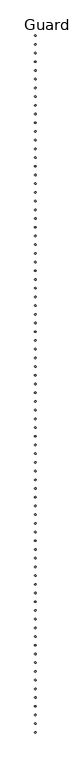
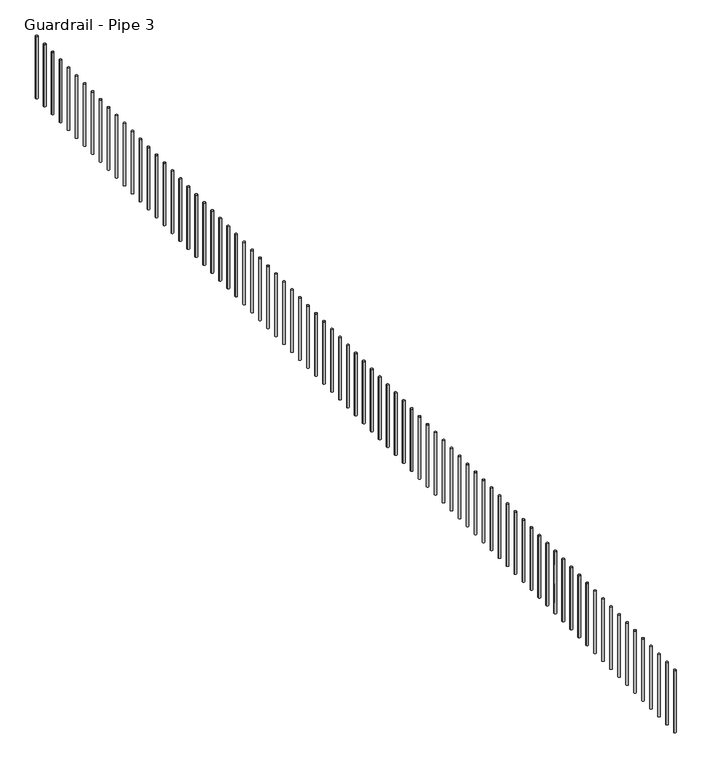
"""IFC4 building model written with IfcOpenShell, lengths in millimetres: railing geometry, Guardrail - Pipe 3."""

from ifc_helpers import new_model, si_unit, point, frame, frame_2d, origin, place, context, project, spatial, circle_curve, trimmed, segment, composite_curve, outline, extrude, source, transform, mapped, element, save


def guardrail_pipe_3_6731b102(model_context):
    return source(origin(), model_context, "Body", "SweptSolid", [
        extrude(outline(composite_curve([segment(trimmed(circle_curve(frame_2d((267300.2280266, -544690.2424218)), 12.7), [point((267312.9280266, -544690.2424218))], [point((267287.5280266, -544690.2424218))], False, "CARTESIAN"), True, "CONTINUOUS"), segment(trimmed(circle_curve(frame_2d((267300.2280266, -544690.2424218)), 12.7), [point((267287.5280266, -544690.2424218))], [point((267312.9280266, -544690.2424218))], False, "CARTESIAN"), True, "CONTINUOUS")], self_intersect=False)), frame((0.0, 0.0, 4267.2), z_axis=(0.0, 0.0, 1.0), x_axis=(1.0, 0.0, 0.0)), (0.0, 0.0, 1.0), 723.9),
        extrude(outline(composite_curve([segment(trimmed(circle_curve(frame_2d((267300.2280266, -544537.8424218)), 12.7), [point((267312.9280266, -544537.8424218))], [point((267287.5280266, -544537.8424218))], False, "CARTESIAN"), True, "CONTINUOUS"), segment(trimmed(circle_curve(frame_2d((267300.2280266, -544537.8424218)), 12.7), [point((267287.5280266, -544537.8424218))], [point((267312.9280266, -544537.8424218))], False, "CARTESIAN"), True, "CONTINUOUS")], self_intersect=False)), frame((0.0, 0.0, 4267.2), z_axis=(0.0, 0.0, 1.0), x_axis=(1.0, 0.0, 0.0)), (0.0, 0.0, 1.0), 723.9),
        extrude(outline(composite_curve([segment(trimmed(circle_curve(frame_2d((267300.2280266, -544385.4424218)), 12.7), [point((267312.9280266, -544385.4424218))], [point((267287.5280266, -544385.4424218))], False, "CARTESIAN"), True, "CONTINUOUS"), segment(trimmed(circle_curve(frame_2d((267300.2280266, -544385.4424218)), 12.7), [point((267287.5280266, -544385.4424218))], [point((267312.9280266, -544385.4424218))], False, "CARTESIAN"), True, "CONTINUOUS")], self_intersect=False)), frame((0.0, 0.0, 4267.2), z_axis=(0.0, 0.0, 1.0), x_axis=(1.0, 0.0, 0.0)), (0.0, 0.0, 1.0), 723.9),
        extrude(outline(composite_curve([segment(trimmed(circle_curve(frame_2d((267300.2280266, -544233.0424218)), 12.7), [point((267312.9280266, -544233.0424218))], [point((267287.5280266, -544233.0424218))], False, "CARTESIAN"), True, "CONTINUOUS"), segment(trimmed(circle_curve(frame_2d((267300.2280266, -544233.0424218)), 12.7), [point((267287.5280266, -544233.0424218))], [point((267312.9280266, -544233.0424218))], False, "CARTESIAN"), True, "CONTINUOUS")], self_intersect=False)), frame((0.0, 0.0, 4267.2), z_axis=(0.0, 0.0, 1.0), x_axis=(1.0, 0.0, 0.0)), (0.0, 0.0, 1.0), 723.9),
        extrude(outline(composite_curve([segment(trimmed(circle_curve(frame_2d((267300.2280266, -544080.6424218)), 12.7), [point((267312.9280266, -544080.6424218))], [point((267287.5280266, -544080.6424218))], False, "CARTESIAN"), True, "CONTINUOUS"), segment(trimmed(circle_curve(frame_2d((267300.2280266, -544080.6424218)), 12.7), [point((267287.5280266, -544080.6424218))], [point((267312.9280266, -544080.6424218))], False, "CARTESIAN"), True, "CONTINUOUS")], self_intersect=False)), frame((0.0, 0.0, 4267.2), z_axis=(0.0, 0.0, 1.0), x_axis=(1.0, 0.0, 0.0)), (0.0, 0.0, 1.0), 723.9),
        extrude(outline(composite_curve([segment(trimmed(circle_curve(frame_2d((267300.2280266, -543928.2424218)), 12.7), [point((267312.9280266, -543928.2424218))], [point((267287.5280266, -543928.2424218))], False, "CARTESIAN"), True, "CONTINUOUS"), segment(trimmed(circle_curve(frame_2d((267300.2280266, -543928.2424218)), 12.7), [point((267287.5280266, -543928.2424218))], [point((267312.9280266, -543928.2424218))], False, "CARTESIAN"), True, "CONTINUOUS")], self_intersect=False)), frame((0.0, 0.0, 4267.2), z_axis=(0.0, 0.0, 1.0), x_axis=(1.0, 0.0, 0.0)), (0.0, 0.0, 1.0), 723.9),
        extrude(outline(composite_curve([segment(trimmed(circle_curve(frame_2d((267300.2280266, -543775.8424218)), 12.7), [point((267312.9280266, -543775.8424218))], [point((267287.5280266, -543775.8424218))], False, "CARTESIAN"), True, "CONTINUOUS"), segment(trimmed(circle_curve(frame_2d((267300.2280266, -543775.8424218)), 12.7), [point((267287.5280266, -543775.8424218))], [point((267312.9280266, -543775.8424218))], False, "CARTESIAN"), True, "CONTINUOUS")], self_intersect=False)), frame((0.0, 0.0, 4267.2), z_axis=(0.0, 0.0, 1.0), x_axis=(1.0, 0.0, 0.0)), (0.0, 0.0, 1.0), 723.9),
        extrude(outline(composite_curve([segment(trimmed(circle_curve(frame_2d((267300.2280266, -543623.4424218)), 12.7), [point((267312.9280266, -543623.4424218))], [point((267287.5280266, -543623.4424218))], False, "CARTESIAN"), True, "CONTINUOUS"), segment(trimmed(circle_curve(frame_2d((267300.2280266, -543623.4424218)), 12.7), [point((267287.5280266, -543623.4424218))], [point((267312.9280266, -543623.4424218))], False, "CARTESIAN"), True, "CONTINUOUS")], self_intersect=False)), frame((0.0, 0.0, 4267.2), z_axis=(0.0, 0.0, 1.0), x_axis=(1.0, 0.0, 0.0)), (0.0, 0.0, 1.0), 723.9),
        extrude(outline(composite_curve([segment(trimmed(circle_curve(frame_2d((267300.2280266, -543471.0424218)), 12.7), [point((267312.9280266, -543471.0424218))], [point((267287.5280266, -543471.0424218))], False, "CARTESIAN"), True, "CONTINUOUS"), segment(trimmed(circle_curve(frame_2d((267300.2280266, -543471.0424218)), 12.7), [point((267287.5280266, -543471.0424218))], [point((267312.9280266, -543471.0424218))], False, "CARTESIAN"), True, "CONTINUOUS")], self_intersect=False)), frame((0.0, 0.0, 4267.2), z_axis=(0.0, 0.0, 1.0), x_axis=(1.0, 0.0, 0.0)), (0.0, 0.0, 1.0), 723.9),
        extrude(outline(composite_curve([segment(trimmed(circle_curve(frame_2d((267300.2280266, -543318.6424218)), 12.7), [point((267312.9280266, -543318.6424218))], [point((267287.5280266, -543318.6424218))], False, "CARTESIAN"), True, "CONTINUOUS"), segment(trimmed(circle_curve(frame_2d((267300.2280266, -543318.6424218)), 12.7), [point((267287.5280266, -543318.6424218))], [point((267312.9280266, -543318.6424218))], False, "CARTESIAN"), True, "CONTINUOUS")], self_intersect=False)), frame((0.0, 0.0, 4267.2), z_axis=(0.0, 0.0, 1.0), x_axis=(1.0, 0.0, 0.0)), (0.0, 0.0, 1.0), 723.9),
        extrude(outline(composite_curve([segment(trimmed(circle_curve(frame_2d((267300.2280266, -543166.2424218)), 12.7), [point((267312.9280266, -543166.2424218))], [point((267287.5280266, -543166.2424218))], False, "CARTESIAN"), True, "CONTINUOUS"), segment(trimmed(circle_curve(frame_2d((267300.2280266, -543166.2424218)), 12.7), [point((267287.5280266, -543166.2424218))], [point((267312.9280266, -543166.2424218))], False, "CARTESIAN"), True, "CONTINUOUS")], self_intersect=False)), frame((0.0, 0.0, 4267.2), z_axis=(0.0, 0.0, 1.0), x_axis=(1.0, 0.0, 0.0)), (0.0, 0.0, 1.0), 723.9),
        extrude(outline(composite_curve([segment(trimmed(circle_curve(frame_2d((267300.2280266, -543013.8424218)), 12.7), [point((267312.9280266, -543013.8424218))], [point((267287.5280266, -543013.8424218))], False, "CARTESIAN"), True, "CONTINUOUS"), segment(trimmed(circle_curve(frame_2d((267300.2280266, -543013.8424218)), 12.7), [point((267287.5280266, -543013.8424218))], [point((267312.9280266, -543013.8424218))], False, "CARTESIAN"), True, "CONTINUOUS")], self_intersect=False)), frame((0.0, 0.0, 4267.2), z_axis=(0.0, 0.0, 1.0), x_axis=(1.0, 0.0, 0.0)), (0.0, 0.0, 1.0), 723.9),
        extrude(outline(composite_curve([segment(trimmed(circle_curve(frame_2d((267300.2280266, -542861.4424218)), 12.7), [point((267312.9280266, -542861.4424218))], [point((267287.5280266, -542861.4424218))], False, "CARTESIAN"), True, "CONTINUOUS"), segment(trimmed(circle_curve(frame_2d((267300.2280266, -542861.4424218)), 12.7), [point((267287.5280266, -542861.4424218))], [point((267312.9280266, -542861.4424218))], False, "CARTESIAN"), True, "CONTINUOUS")], self_intersect=False)), frame((0.0, 0.0, 4267.2), z_axis=(0.0, 0.0, 1.0), x_axis=(1.0, 0.0, 0.0)), (0.0, 0.0, 1.0), 723.9),
        extrude(outline(composite_curve([segment(trimmed(circle_curve(frame_2d((267300.2280266, -542709.0424218)), 12.7), [point((267312.9280266, -542709.0424218))], [point((267287.5280266, -542709.0424218))], False, "CARTESIAN"), True, "CONTINUOUS"), segment(trimmed(circle_curve(frame_2d((267300.2280266, -542709.0424218)), 12.7), [point((267287.5280266, -542709.0424218))], [point((267312.9280266, -542709.0424218))], False, "CARTESIAN"), True, "CONTINUOUS")], self_intersect=False)), frame((0.0, 0.0, 4267.2), z_axis=(0.0, 0.0, 1.0), x_axis=(1.0, 0.0, 0.0)), (0.0, 0.0, 1.0), 723.9),
        extrude(outline(composite_curve([segment(trimmed(circle_curve(frame_2d((267300.2280266, -542556.6424218)), 12.7), [point((267312.9280266, -542556.6424218))], [point((267287.5280266, -542556.6424218))], False, "CARTESIAN"), True, "CONTINUOUS"), segment(trimmed(circle_curve(frame_2d((267300.2280266, -542556.6424218)), 12.7), [point((267287.5280266, -542556.6424218))], [point((267312.9280266, -542556.6424218))], False, "CARTESIAN"), True, "CONTINUOUS")], self_intersect=False)), frame((0.0, 0.0, 4267.2), z_axis=(0.0, 0.0, 1.0), x_axis=(1.0, 0.0, 0.0)), (0.0, 0.0, 1.0), 723.9),
        extrude(outline(composite_curve([segment(trimmed(circle_curve(frame_2d((267300.2280266, -542404.2424218)), 12.7), [point((267312.9280266, -542404.2424218))], [point((267287.5280266, -542404.2424218))], False, "CARTESIAN"), True, "CONTINUOUS"), segment(trimmed(circle_curve(frame_2d((267300.2280266, -542404.2424218)), 12.7), [point((267287.5280266, -542404.2424218))], [point((267312.9280266, -542404.2424218))], False, "CARTESIAN"), True, "CONTINUOUS")], self_intersect=False)), frame((0.0, 0.0, 4267.2), z_axis=(0.0, 0.0, 1.0), x_axis=(1.0, 0.0, 0.0)), (0.0, 0.0, 1.0), 723.9),
        extrude(outline(composite_curve([segment(trimmed(circle_curve(frame_2d((267300.2280266, -542251.8424218)), 12.7), [point((267312.9280266, -542251.8424218))], [point((267287.5280266, -542251.8424218))], False, "CARTESIAN"), True, "CONTINUOUS"), segment(trimmed(circle_curve(frame_2d((267300.2280266, -542251.8424218)), 12.7), [point((267287.5280266, -542251.8424218))], [point((267312.9280266, -542251.8424218))], False, "CARTESIAN"), True, "CONTINUOUS")], self_intersect=False)), frame((0.0, 0.0, 4267.2), z_axis=(0.0, 0.0, 1.0), x_axis=(1.0, 0.0, 0.0)), (0.0, 0.0, 1.0), 723.9),
        extrude(outline(composite_curve([segment(trimmed(circle_curve(frame_2d((267300.2280266, -542099.4424218)), 12.7), [point((267312.9280266, -542099.4424218))], [point((267287.5280266, -542099.4424218))], False, "CARTESIAN"), True, "CONTINUOUS"), segment(trimmed(circle_curve(frame_2d((267300.2280266, -542099.4424218)), 12.7), [point((267287.5280266, -542099.4424218))], [point((267312.9280266, -542099.4424218))], False, "CARTESIAN"), True, "CONTINUOUS")], self_intersect=False)), frame((0.0, 0.0, 4267.2), z_axis=(0.0, 0.0, 1.0), x_axis=(1.0, 0.0, 0.0)), (0.0, 0.0, 1.0), 723.9),
        extrude(outline(composite_curve([segment(trimmed(circle_curve(frame_2d((267300.2280266, -541947.0424218)), 12.7), [point((267312.9280266, -541947.0424218))], [point((267287.5280266, -541947.0424218))], False, "CARTESIAN"), True, "CONTINUOUS"), segment(trimmed(circle_curve(frame_2d((267300.2280266, -541947.0424218)), 12.7), [point((267287.5280266, -541947.0424218))], [point((267312.9280266, -541947.0424218))], False, "CARTESIAN"), True, "CONTINUOUS")], self_intersect=False)), frame((0.0, 0.0, 4267.2), z_axis=(0.0, 0.0, 1.0), x_axis=(1.0, 0.0, 0.0)), (0.0, 0.0, 1.0), 723.9),
        extrude(outline(composite_curve([segment(trimmed(circle_curve(frame_2d((267300.2280266, -541794.6424218)), 12.7), [point((267312.9280266, -541794.6424218))], [point((267287.5280266, -541794.6424218))], False, "CARTESIAN"), True, "CONTINUOUS"), segment(trimmed(circle_curve(frame_2d((267300.2280266, -541794.6424218)), 12.7), [point((267287.5280266, -541794.6424218))], [point((267312.9280266, -541794.6424218))], False, "CARTESIAN"), True, "CONTINUOUS")], self_intersect=False)), frame((0.0, 0.0, 4267.2), z_axis=(0.0, 0.0, 1.0), x_axis=(1.0, 0.0, 0.0)), (0.0, 0.0, 1.0), 723.9),
        extrude(outline(composite_curve([segment(trimmed(circle_curve(frame_2d((267300.2280266, -541642.2424218)), 12.7), [point((267312.9280266, -541642.2424218))], [point((267287.5280266, -541642.2424218))], False, "CARTESIAN"), True, "CONTINUOUS"), segment(trimmed(circle_curve(frame_2d((267300.2280266, -541642.2424218)), 12.7), [point((267287.5280266, -541642.2424218))], [point((267312.9280266, -541642.2424218))], False, "CARTESIAN"), True, "CONTINUOUS")], self_intersect=False)), frame((0.0, 0.0, 4267.2), z_axis=(0.0, 0.0, 1.0), x_axis=(1.0, 0.0, 0.0)), (0.0, 0.0, 1.0), 723.9),
        extrude(outline(composite_curve([segment(trimmed(circle_curve(frame_2d((267300.2280266, -541489.8424218)), 12.7), [point((267312.9280266, -541489.8424218))], [point((267287.5280266, -541489.8424218))], False, "CARTESIAN"), True, "CONTINUOUS"), segment(trimmed(circle_curve(frame_2d((267300.2280266, -541489.8424218)), 12.7), [point((267287.5280266, -541489.8424218))], [point((267312.9280266, -541489.8424218))], False, "CARTESIAN"), True, "CONTINUOUS")], self_intersect=False)), frame((0.0, 0.0, 4267.2), z_axis=(0.0, 0.0, 1.0), x_axis=(1.0, 0.0, 0.0)), (0.0, 0.0, 1.0), 723.9),
        extrude(outline(composite_curve([segment(trimmed(circle_curve(frame_2d((267300.2280266, -541337.4424218)), 12.7), [point((267312.9280266, -541337.4424218))], [point((267287.5280266, -541337.4424218))], False, "CARTESIAN"), True, "CONTINUOUS"), segment(trimmed(circle_curve(frame_2d((267300.2280266, -541337.4424218)), 12.7), [point((267287.5280266, -541337.4424218))], [point((267312.9280266, -541337.4424218))], False, "CARTESIAN"), True, "CONTINUOUS")], self_intersect=False)), frame((0.0, 0.0, 4267.2), z_axis=(0.0, 0.0, 1.0), x_axis=(1.0, 0.0, 0.0)), (0.0, 0.0, 1.0), 723.9),
        extrude(outline(composite_curve([segment(trimmed(circle_curve(frame_2d((267300.2280266, -541185.0424218)), 12.7), [point((267312.9280266, -541185.0424218))], [point((267287.5280266, -541185.0424218))], False, "CARTESIAN"), True, "CONTINUOUS"), segment(trimmed(circle_curve(frame_2d((267300.2280266, -541185.0424218)), 12.7), [point((267287.5280266, -541185.0424218))], [point((267312.9280266, -541185.0424218))], False, "CARTESIAN"), True, "CONTINUOUS")], self_intersect=False)), frame((0.0, 0.0, 4267.2), z_axis=(0.0, 0.0, 1.0), x_axis=(1.0, 0.0, 0.0)), (0.0, 0.0, 1.0), 723.9),
        extrude(outline(composite_curve([segment(trimmed(circle_curve(frame_2d((267300.2280266, -541032.6424218)), 12.7), [point((267312.9280266, -541032.6424218))], [point((267287.5280266, -541032.6424218))], False, "CARTESIAN"), True, "CONTINUOUS"), segment(trimmed(circle_curve(frame_2d((267300.2280266, -541032.6424218)), 12.7), [point((267287.5280266, -541032.6424218))], [point((267312.9280266, -541032.6424218))], False, "CARTESIAN"), True, "CONTINUOUS")], self_intersect=False)), frame((0.0, 0.0, 4267.2), z_axis=(0.0, 0.0, 1.0), x_axis=(1.0, 0.0, 0.0)), (0.0, 0.0, 1.0), 723.9),
        extrude(outline(composite_curve([segment(trimmed(circle_curve(frame_2d((267300.2280266, -540880.2424218)), 12.7), [point((267312.9280266, -540880.2424218))], [point((267287.5280266, -540880.2424218))], False, "CARTESIAN"), True, "CONTINUOUS"), segment(trimmed(circle_curve(frame_2d((267300.2280266, -540880.2424218)), 12.7), [point((267287.5280266, -540880.2424218))], [point((267312.9280266, -540880.2424218))], False, "CARTESIAN"), True, "CONTINUOUS")], self_intersect=False)), frame((0.0, 0.0, 4267.2), z_axis=(0.0, 0.0, 1.0), x_axis=(1.0, 0.0, 0.0)), (0.0, 0.0, 1.0), 723.9),
        extrude(outline(composite_curve([segment(trimmed(circle_curve(frame_2d((267300.2280266, -540727.8424218)), 12.7), [point((267312.9280266, -540727.8424218))], [point((267287.5280266, -540727.8424218))], False, "CARTESIAN"), True, "CONTINUOUS"), segment(trimmed(circle_curve(frame_2d((267300.2280266, -540727.8424218)), 12.7), [point((267287.5280266, -540727.8424218))], [point((267312.9280266, -540727.8424218))], False, "CARTESIAN"), True, "CONTINUOUS")], self_intersect=False)), frame((0.0, 0.0, 4267.2), z_axis=(0.0, 0.0, 1.0), x_axis=(1.0, 0.0, 0.0)), (0.0, 0.0, 1.0), 723.9),
        extrude(outline(composite_curve([segment(trimmed(circle_curve(frame_2d((267300.2280266, -540575.4424218)), 12.7), [point((267312.9280266, -540575.4424218))], [point((267287.5280266, -540575.4424218))], False, "CARTESIAN"), True, "CONTINUOUS"), segment(trimmed(circle_curve(frame_2d((267300.2280266, -540575.4424218)), 12.7), [point((267287.5280266, -540575.4424218))], [point((267312.9280266, -540575.4424218))], False, "CARTESIAN"), True, "CONTINUOUS")], self_intersect=False)), frame((0.0, 0.0, 4267.2), z_axis=(0.0, 0.0, 1.0), x_axis=(1.0, 0.0, 0.0)), (0.0, 0.0, 1.0), 723.9),
        extrude(outline(composite_curve([segment(trimmed(circle_curve(frame_2d((267300.2280266, -540423.0424218)), 12.7), [point((267312.9280266, -540423.0424218))], [point((267287.5280266, -540423.0424218))], False, "CARTESIAN"), True, "CONTINUOUS"), segment(trimmed(circle_curve(frame_2d((267300.2280266, -540423.0424218)), 12.7), [point((267287.5280266, -540423.0424218))], [point((267312.9280266, -540423.0424218))], False, "CARTESIAN"), True, "CONTINUOUS")], self_intersect=False)), frame((0.0, 0.0, 4267.2), z_axis=(0.0, 0.0, 1.0), x_axis=(1.0, 0.0, 0.0)), (0.0, 0.0, 1.0), 723.9),
        extrude(outline(composite_curve([segment(trimmed(circle_curve(frame_2d((267300.2280266, -540270.6424218)), 12.7), [point((267312.9280266, -540270.6424218))], [point((267287.5280266, -540270.6424218))], False, "CARTESIAN"), True, "CONTINUOUS"), segment(trimmed(circle_curve(frame_2d((267300.2280266, -540270.6424218)), 12.7), [point((267287.5280266, -540270.6424218))], [point((267312.9280266, -540270.6424218))], False, "CARTESIAN"), True, "CONTINUOUS")], self_intersect=False)), frame((0.0, 0.0, 4267.2), z_axis=(0.0, 0.0, 1.0), x_axis=(1.0, 0.0, 0.0)), (0.0, 0.0, 1.0), 723.9),
        extrude(outline(composite_curve([segment(trimmed(circle_curve(frame_2d((267300.2280266, -540118.2424218)), 12.7), [point((267312.9280266, -540118.2424218))], [point((267287.5280266, -540118.2424218))], False, "CARTESIAN"), True, "CONTINUOUS"), segment(trimmed(circle_curve(frame_2d((267300.2280266, -540118.2424218)), 12.7), [point((267287.5280266, -540118.2424218))], [point((267312.9280266, -540118.2424218))], False, "CARTESIAN"), True, "CONTINUOUS")], self_intersect=False)), frame((0.0, 0.0, 4267.2), z_axis=(0.0, 0.0, 1.0), x_axis=(1.0, 0.0, 0.0)), (0.0, 0.0, 1.0), 723.9),
        extrude(outline(composite_curve([segment(trimmed(circle_curve(frame_2d((267300.2280266, -539965.8424218)), 12.7), [point((267312.9280266, -539965.8424218))], [point((267287.5280266, -539965.8424218))], False, "CARTESIAN"), True, "CONTINUOUS"), segment(trimmed(circle_curve(frame_2d((267300.2280266, -539965.8424218)), 12.7), [point((267287.5280266, -539965.8424218))], [point((267312.9280266, -539965.8424218))], False, "CARTESIAN"), True, "CONTINUOUS")], self_intersect=False)), frame((0.0, 0.0, 4267.2), z_axis=(0.0, 0.0, 1.0), x_axis=(1.0, 0.0, 0.0)), (0.0, 0.0, 1.0), 723.9),
        extrude(outline(composite_curve([segment(trimmed(circle_curve(frame_2d((267300.2280266, -539813.4424218)), 12.7), [point((267312.9280266, -539813.4424218))], [point((267287.5280266, -539813.4424218))], False, "CARTESIAN"), True, "CONTINUOUS"), segment(trimmed(circle_curve(frame_2d((267300.2280266, -539813.4424218)), 12.7), [point((267287.5280266, -539813.4424218))], [point((267312.9280266, -539813.4424218))], False, "CARTESIAN"), True, "CONTINUOUS")], self_intersect=False)), frame((0.0, 0.0, 4267.2), z_axis=(0.0, 0.0, 1.0), x_axis=(1.0, 0.0, 0.0)), (0.0, 0.0, 1.0), 723.9),
        extrude(outline(composite_curve([segment(trimmed(circle_curve(frame_2d((267300.2280266, -539661.0424218)), 12.7), [point((267312.9280266, -539661.0424218))], [point((267287.5280266, -539661.0424218))], False, "CARTESIAN"), True, "CONTINUOUS"), segment(trimmed(circle_curve(frame_2d((267300.2280266, -539661.0424218)), 12.7), [point((267287.5280266, -539661.0424218))], [point((267312.9280266, -539661.0424218))], False, "CARTESIAN"), True, "CONTINUOUS")], self_intersect=False)), frame((0.0, 0.0, 4267.2), z_axis=(0.0, 0.0, 1.0), x_axis=(1.0, 0.0, 0.0)), (0.0, 0.0, 1.0), 723.9),
        extrude(outline(composite_curve([segment(trimmed(circle_curve(frame_2d((267300.2280266, -539508.6424218)), 12.7), [point((267312.9280266, -539508.6424218))], [point((267287.5280266, -539508.6424218))], False, "CARTESIAN"), True, "CONTINUOUS"), segment(trimmed(circle_curve(frame_2d((267300.2280266, -539508.6424218)), 12.7), [point((267287.5280266, -539508.6424218))], [point((267312.9280266, -539508.6424218))], False, "CARTESIAN"), True, "CONTINUOUS")], self_intersect=False)), frame((0.0, 0.0, 4267.2), z_axis=(0.0, 0.0, 1.0), x_axis=(1.0, 0.0, 0.0)), (0.0, 0.0, 1.0), 723.9),
        extrude(outline(composite_curve([segment(trimmed(circle_curve(frame_2d((267300.2280266, -539356.2424218)), 12.7), [point((267312.9280266, -539356.2424218))], [point((267287.5280266, -539356.2424218))], False, "CARTESIAN"), True, "CONTINUOUS"), segment(trimmed(circle_curve(frame_2d((267300.2280266, -539356.2424218)), 12.7), [point((267287.5280266, -539356.2424218))], [point((267312.9280266, -539356.2424218))], False, "CARTESIAN"), True, "CONTINUOUS")], self_intersect=False)), frame((0.0, 0.0, 4267.2), z_axis=(0.0, 0.0, 1.0), x_axis=(1.0, 0.0, 0.0)), (0.0, 0.0, 1.0), 723.9),
        extrude(outline(composite_curve([segment(trimmed(circle_curve(frame_2d((267300.2280266, -539203.8424218)), 12.7), [point((267312.9280266, -539203.8424218))], [point((267287.5280266, -539203.8424218))], False, "CARTESIAN"), True, "CONTINUOUS"), segment(trimmed(circle_curve(frame_2d((267300.2280266, -539203.8424218)), 12.7), [point((267287.5280266, -539203.8424218))], [point((267312.9280266, -539203.8424218))], False, "CARTESIAN"), True, "CONTINUOUS")], self_intersect=False)), frame((0.0, 0.0, 4267.2), z_axis=(0.0, 0.0, 1.0), x_axis=(1.0, 0.0, 0.0)), (0.0, 0.0, 1.0), 723.9),
        extrude(outline(composite_curve([segment(trimmed(circle_curve(frame_2d((267300.2280266, -539051.4424218)), 12.7), [point((267312.9280266, -539051.4424218))], [point((267287.5280266, -539051.4424218))], False, "CARTESIAN"), True, "CONTINUOUS"), segment(trimmed(circle_curve(frame_2d((267300.2280266, -539051.4424218)), 12.7), [point((267287.5280266, -539051.4424218))], [point((267312.9280266, -539051.4424218))], False, "CARTESIAN"), True, "CONTINUOUS")], self_intersect=False)), frame((0.0, 0.0, 4267.2), z_axis=(0.0, 0.0, 1.0), x_axis=(1.0, 0.0, 0.0)), (0.0, 0.0, 1.0), 723.9),
        extrude(outline(composite_curve([segment(trimmed(circle_curve(frame_2d((267300.2280266, -538899.0424218)), 12.7), [point((267312.9280266, -538899.0424218))], [point((267287.5280266, -538899.0424218))], False, "CARTESIAN"), True, "CONTINUOUS"), segment(trimmed(circle_curve(frame_2d((267300.2280266, -538899.0424218)), 12.7), [point((267287.5280266, -538899.0424218))], [point((267312.9280266, -538899.0424218))], False, "CARTESIAN"), True, "CONTINUOUS")], self_intersect=False)), frame((0.0, 0.0, 4267.2), z_axis=(0.0, 0.0, 1.0), x_axis=(1.0, 0.0, 0.0)), (0.0, 0.0, 1.0), 723.9),
        extrude(outline(composite_curve([segment(trimmed(circle_curve(frame_2d((267300.2280266, -538746.6424218)), 12.7), [point((267312.9280266, -538746.6424218))], [point((267287.5280266, -538746.6424218))], False, "CARTESIAN"), True, "CONTINUOUS"), segment(trimmed(circle_curve(frame_2d((267300.2280266, -538746.6424218)), 12.7), [point((267287.5280266, -538746.6424218))], [point((267312.9280266, -538746.6424218))], False, "CARTESIAN"), True, "CONTINUOUS")], self_intersect=False)), frame((0.0, 0.0, 4267.2), z_axis=(0.0, 0.0, 1.0), x_axis=(1.0, 0.0, 0.0)), (0.0, 0.0, 1.0), 723.9),
        extrude(outline(composite_curve([segment(trimmed(circle_curve(frame_2d((267300.2280266, -538594.2424218)), 12.7), [point((267312.9280266, -538594.2424218))], [point((267287.5280266, -538594.2424218))], False, "CARTESIAN"), True, "CONTINUOUS"), segment(trimmed(circle_curve(frame_2d((267300.2280266, -538594.2424218)), 12.7), [point((267287.5280266, -538594.2424218))], [point((267312.9280266, -538594.2424218))], False, "CARTESIAN"), True, "CONTINUOUS")], self_intersect=False)), frame((0.0, 0.0, 4267.2), z_axis=(0.0, 0.0, 1.0), x_axis=(1.0, 0.0, 0.0)), (0.0, 0.0, 1.0), 723.9),
        extrude(outline(composite_curve([segment(trimmed(circle_curve(frame_2d((267300.2280266, -538441.8424218)), 12.7), [point((267312.9280266, -538441.8424218))], [point((267287.5280266, -538441.8424218))], False, "CARTESIAN"), True, "CONTINUOUS"), segment(trimmed(circle_curve(frame_2d((267300.2280266, -538441.8424218)), 12.7), [point((267287.5280266, -538441.8424218))], [point((267312.9280266, -538441.8424218))], False, "CARTESIAN"), True, "CONTINUOUS")], self_intersect=False)), frame((0.0, 0.0, 4267.2), z_axis=(0.0, 0.0, 1.0), x_axis=(1.0, 0.0, 0.0)), (0.0, 0.0, 1.0), 723.9),
        extrude(outline(composite_curve([segment(trimmed(circle_curve(frame_2d((267300.2280266, -538289.4424218)), 12.7), [point((267312.9280266, -538289.4424218))], [point((267287.5280266, -538289.4424218))], False, "CARTESIAN"), True, "CONTINUOUS"), segment(trimmed(circle_curve(frame_2d((267300.2280266, -538289.4424218)), 12.7), [point((267287.5280266, -538289.4424218))], [point((267312.9280266, -538289.4424218))], False, "CARTESIAN"), True, "CONTINUOUS")], self_intersect=False)), frame((0.0, 0.0, 4267.2), z_axis=(0.0, 0.0, 1.0), x_axis=(1.0, 0.0, 0.0)), (0.0, 0.0, 1.0), 723.9),
        extrude(outline(composite_curve([segment(trimmed(circle_curve(frame_2d((267300.2280266, -538137.0424218)), 12.7), [point((267312.9280266, -538137.0424218))], [point((267287.5280266, -538137.0424218))], False, "CARTESIAN"), True, "CONTINUOUS"), segment(trimmed(circle_curve(frame_2d((267300.2280266, -538137.0424218)), 12.7), [point((267287.5280266, -538137.0424218))], [point((267312.9280266, -538137.0424218))], False, "CARTESIAN"), True, "CONTINUOUS")], self_intersect=False)), frame((0.0, 0.0, 4267.2), z_axis=(0.0, 0.0, 1.0), x_axis=(1.0, 0.0, 0.0)), (0.0, 0.0, 1.0), 723.9),
        extrude(outline(composite_curve([segment(trimmed(circle_curve(frame_2d((267300.2280266, -537984.6424218)), 12.7), [point((267312.9280266, -537984.6424218))], [point((267287.5280266, -537984.6424218))], False, "CARTESIAN"), True, "CONTINUOUS"), segment(trimmed(circle_curve(frame_2d((267300.2280266, -537984.6424218)), 12.7), [point((267287.5280266, -537984.6424218))], [point((267312.9280266, -537984.6424218))], False, "CARTESIAN"), True, "CONTINUOUS")], self_intersect=False)), frame((0.0, 0.0, 4267.2), z_axis=(0.0, 0.0, 1.0), x_axis=(1.0, 0.0, 0.0)), (0.0, 0.0, 1.0), 723.9),
        extrude(outline(composite_curve([segment(trimmed(circle_curve(frame_2d((267300.2280266, -537832.2424218)), 12.7), [point((267312.9280266, -537832.2424218))], [point((267287.5280266, -537832.2424218))], False, "CARTESIAN"), True, "CONTINUOUS"), segment(trimmed(circle_curve(frame_2d((267300.2280266, -537832.2424218)), 12.7), [point((267287.5280266, -537832.2424218))], [point((267312.9280266, -537832.2424218))], False, "CARTESIAN"), True, "CONTINUOUS")], self_intersect=False)), frame((0.0, 0.0, 4267.2), z_axis=(0.0, 0.0, 1.0), x_axis=(1.0, 0.0, 0.0)), (0.0, 0.0, 1.0), 723.9),
        extrude(outline(composite_curve([segment(trimmed(circle_curve(frame_2d((267300.2280266, -537679.8424218)), 12.7), [point((267312.9280266, -537679.8424218))], [point((267287.5280266, -537679.8424218))], False, "CARTESIAN"), True, "CONTINUOUS"), segment(trimmed(circle_curve(frame_2d((267300.2280266, -537679.8424218)), 12.7), [point((267287.5280266, -537679.8424218))], [point((267312.9280266, -537679.8424218))], False, "CARTESIAN"), True, "CONTINUOUS")], self_intersect=False)), frame((0.0, 0.0, 4267.2), z_axis=(0.0, 0.0, 1.0), x_axis=(1.0, 0.0, 0.0)), (0.0, 0.0, 1.0), 723.9),
        extrude(outline(composite_curve([segment(trimmed(circle_curve(frame_2d((267300.2280266, -537527.4424218)), 12.7), [point((267312.9280266, -537527.4424218))], [point((267287.5280266, -537527.4424218))], False, "CARTESIAN"), True, "CONTINUOUS"), segment(trimmed(circle_curve(frame_2d((267300.2280266, -537527.4424218)), 12.7), [point((267287.5280266, -537527.4424218))], [point((267312.9280266, -537527.4424218))], False, "CARTESIAN"), True, "CONTINUOUS")], self_intersect=False)), frame((0.0, 0.0, 4267.2), z_axis=(0.0, 0.0, 1.0), x_axis=(1.0, 0.0, 0.0)), (0.0, 0.0, 1.0), 723.9),
        extrude(outline(composite_curve([segment(trimmed(circle_curve(frame_2d((267300.2280266, -537375.0424218)), 12.7), [point((267312.9280266, -537375.0424218))], [point((267287.5280266, -537375.0424218))], False, "CARTESIAN"), True, "CONTINUOUS"), segment(trimmed(circle_curve(frame_2d((267300.2280266, -537375.0424218)), 12.7), [point((267287.5280266, -537375.0424218))], [point((267312.9280266, -537375.0424218))], False, "CARTESIAN"), True, "CONTINUOUS")], self_intersect=False)), frame((0.0, 0.0, 4267.2), z_axis=(0.0, 0.0, 1.0), x_axis=(1.0, 0.0, 0.0)), (0.0, 0.0, 1.0), 723.9),
        extrude(outline(composite_curve([segment(trimmed(circle_curve(frame_2d((267300.2280266, -537222.6424218)), 12.7), [point((267312.9280266, -537222.6424218))], [point((267287.5280266, -537222.6424218))], False, "CARTESIAN"), True, "CONTINUOUS"), segment(trimmed(circle_curve(frame_2d((267300.2280266, -537222.6424218)), 12.7), [point((267287.5280266, -537222.6424218))], [point((267312.9280266, -537222.6424218))], False, "CARTESIAN"), True, "CONTINUOUS")], self_intersect=False)), frame((0.0, 0.0, 4267.2), z_axis=(0.0, 0.0, 1.0), x_axis=(1.0, 0.0, 0.0)), (0.0, 0.0, 1.0), 723.9),
        extrude(outline(composite_curve([segment(trimmed(circle_curve(frame_2d((267300.2280266, -537070.2424218)), 12.7), [point((267312.9280266, -537070.2424218))], [point((267287.5280266, -537070.2424218))], False, "CARTESIAN"), True, "CONTINUOUS"), segment(trimmed(circle_curve(frame_2d((267300.2280266, -537070.2424218)), 12.7), [point((267287.5280266, -537070.2424218))], [point((267312.9280266, -537070.2424218))], False, "CARTESIAN"), True, "CONTINUOUS")], self_intersect=False)), frame((0.0, 0.0, 4267.2), z_axis=(0.0, 0.0, 1.0), x_axis=(1.0, 0.0, 0.0)), (0.0, 0.0, 1.0), 723.9),
        extrude(outline(composite_curve([segment(trimmed(circle_curve(frame_2d((267300.2280266, -536917.8424218)), 12.7), [point((267312.9280266, -536917.8424218))], [point((267287.5280266, -536917.8424218))], False, "CARTESIAN"), True, "CONTINUOUS"), segment(trimmed(circle_curve(frame_2d((267300.2280266, -536917.8424218)), 12.7), [point((267287.5280266, -536917.8424218))], [point((267312.9280266, -536917.8424218))], False, "CARTESIAN"), True, "CONTINUOUS")], self_intersect=False)), frame((0.0, 0.0, 4267.2), z_axis=(0.0, 0.0, 1.0), x_axis=(1.0, 0.0, 0.0)), (0.0, 0.0, 1.0), 723.9),
        extrude(outline(composite_curve([segment(trimmed(circle_curve(frame_2d((267300.2280266, -536765.4424218)), 12.7), [point((267312.9280266, -536765.4424218))], [point((267287.5280266, -536765.4424218))], False, "CARTESIAN"), True, "CONTINUOUS"), segment(trimmed(circle_curve(frame_2d((267300.2280266, -536765.4424218)), 12.7), [point((267287.5280266, -536765.4424218))], [point((267312.9280266, -536765.4424218))], False, "CARTESIAN"), True, "CONTINUOUS")], self_intersect=False)), frame((0.0, 0.0, 4267.2), z_axis=(0.0, 0.0, 1.0), x_axis=(1.0, 0.0, 0.0)), (0.0, 0.0, 1.0), 723.9),
        extrude(outline(composite_curve([segment(trimmed(circle_curve(frame_2d((267300.2280266, -536613.0424218)), 12.7), [point((267312.9280266, -536613.0424218))], [point((267287.5280266, -536613.0424218))], False, "CARTESIAN"), True, "CONTINUOUS"), segment(trimmed(circle_curve(frame_2d((267300.2280266, -536613.0424218)), 12.7), [point((267287.5280266, -536613.0424218))], [point((267312.9280266, -536613.0424218))], False, "CARTESIAN"), True, "CONTINUOUS")], self_intersect=False)), frame((0.0, 0.0, 4267.2), z_axis=(0.0, 0.0, 1.0), x_axis=(1.0, 0.0, 0.0)), (0.0, 0.0, 1.0), 723.9),
        extrude(outline(composite_curve([segment(trimmed(circle_curve(frame_2d((267300.2280266, -536460.6424218)), 12.7), [point((267312.9280266, -536460.6424218))], [point((267287.5280266, -536460.6424218))], False, "CARTESIAN"), True, "CONTINUOUS"), segment(trimmed(circle_curve(frame_2d((267300.2280266, -536460.6424218)), 12.7), [point((267287.5280266, -536460.6424218))], [point((267312.9280266, -536460.6424218))], False, "CARTESIAN"), True, "CONTINUOUS")], self_intersect=False)), frame((0.0, 0.0, 4267.2), z_axis=(0.0, 0.0, 1.0), x_axis=(1.0, 0.0, 0.0)), (0.0, 0.0, 1.0), 723.9),
        extrude(outline(composite_curve([segment(trimmed(circle_curve(frame_2d((267300.2280266, -536308.2424218)), 12.7), [point((267312.9280266, -536308.2424218))], [point((267287.5280266, -536308.2424218))], False, "CARTESIAN"), True, "CONTINUOUS"), segment(trimmed(circle_curve(frame_2d((267300.2280266, -536308.2424218)), 12.7), [point((267287.5280266, -536308.2424218))], [point((267312.9280266, -536308.2424218))], False, "CARTESIAN"), True, "CONTINUOUS")], self_intersect=False)), frame((0.0, 0.0, 4267.2), z_axis=(0.0, 0.0, 1.0), x_axis=(1.0, 0.0, 0.0)), (0.0, 0.0, 1.0), 723.9),
        extrude(outline(composite_curve([segment(trimmed(circle_curve(frame_2d((267300.2280266, -536155.8424218)), 12.7), [point((267312.9280266, -536155.8424218))], [point((267287.5280266, -536155.8424218))], False, "CARTESIAN"), True, "CONTINUOUS"), segment(trimmed(circle_curve(frame_2d((267300.2280266, -536155.8424218)), 12.7), [point((267287.5280266, -536155.8424218))], [point((267312.9280266, -536155.8424218))], False, "CARTESIAN"), True, "CONTINUOUS")], self_intersect=False)), frame((0.0, 0.0, 4267.2), z_axis=(0.0, 0.0, 1.0), x_axis=(1.0, 0.0, 0.0)), (0.0, 0.0, 1.0), 723.9),
        extrude(outline(composite_curve([segment(trimmed(circle_curve(frame_2d((267300.2280266, -536003.4424218)), 12.7), [point((267312.9280266, -536003.4424218))], [point((267287.5280266, -536003.4424218))], False, "CARTESIAN"), True, "CONTINUOUS"), segment(trimmed(circle_curve(frame_2d((267300.2280266, -536003.4424218)), 12.7), [point((267287.5280266, -536003.4424218))], [point((267312.9280266, -536003.4424218))], False, "CARTESIAN"), True, "CONTINUOUS")], self_intersect=False)), frame((0.0, 0.0, 4267.2), z_axis=(0.0, 0.0, 1.0), x_axis=(1.0, 0.0, 0.0)), (0.0, 0.0, 1.0), 723.9),
        extrude(outline(composite_curve([segment(trimmed(circle_curve(frame_2d((267300.2280266, -535851.0424218)), 12.7), [point((267312.9280266, -535851.0424218))], [point((267287.5280266, -535851.0424218))], False, "CARTESIAN"), True, "CONTINUOUS"), segment(trimmed(circle_curve(frame_2d((267300.2280266, -535851.0424218)), 12.7), [point((267287.5280266, -535851.0424218))], [point((267312.9280266, -535851.0424218))], False, "CARTESIAN"), True, "CONTINUOUS")], self_intersect=False)), frame((0.0, 0.0, 4267.2), z_axis=(0.0, 0.0, 1.0), x_axis=(1.0, 0.0, 0.0)), (0.0, 0.0, 1.0), 723.9),
        extrude(outline(composite_curve([segment(trimmed(circle_curve(frame_2d((267300.2280266, -535698.6424218)), 12.7), [point((267312.9280266, -535698.6424218))], [point((267287.5280266, -535698.6424218))], False, "CARTESIAN"), True, "CONTINUOUS"), segment(trimmed(circle_curve(frame_2d((267300.2280266, -535698.6424218)), 12.7), [point((267287.5280266, -535698.6424218))], [point((267312.9280266, -535698.6424218))], False, "CARTESIAN"), True, "CONTINUOUS")], self_intersect=False)), frame((0.0, 0.0, 4267.2), z_axis=(0.0, 0.0, 1.0), x_axis=(1.0, 0.0, 0.0)), (0.0, 0.0, 1.0), 723.9),
        extrude(outline(composite_curve([segment(trimmed(circle_curve(frame_2d((267300.2280266, -535546.2424218)), 12.7), [point((267312.9280266, -535546.2424218))], [point((267287.5280266, -535546.2424218))], False, "CARTESIAN"), True, "CONTINUOUS"), segment(trimmed(circle_curve(frame_2d((267300.2280266, -535546.2424218)), 12.7), [point((267287.5280266, -535546.2424218))], [point((267312.9280266, -535546.2424218))], False, "CARTESIAN"), True, "CONTINUOUS")], self_intersect=False)), frame((0.0, 0.0, 4267.2), z_axis=(0.0, 0.0, 1.0), x_axis=(1.0, 0.0, 0.0)), (0.0, 0.0, 1.0), 723.9),
        extrude(outline(composite_curve([segment(trimmed(circle_curve(frame_2d((267300.2280266, -535393.8424218)), 12.7), [point((267312.9280266, -535393.8424218))], [point((267287.5280266, -535393.8424218))], False, "CARTESIAN"), True, "CONTINUOUS"), segment(trimmed(circle_curve(frame_2d((267300.2280266, -535393.8424218)), 12.7), [point((267287.5280266, -535393.8424218))], [point((267312.9280266, -535393.8424218))], False, "CARTESIAN"), True, "CONTINUOUS")], self_intersect=False)), frame((0.0, 0.0, 4267.2), z_axis=(0.0, 0.0, 1.0), x_axis=(1.0, 0.0, 0.0)), (0.0, 0.0, 1.0), 723.9),
        extrude(outline(composite_curve([segment(trimmed(circle_curve(frame_2d((267300.2280266, -535241.4424218)), 12.7), [point((267312.9280266, -535241.4424218))], [point((267287.5280266, -535241.4424218))], False, "CARTESIAN"), True, "CONTINUOUS"), segment(trimmed(circle_curve(frame_2d((267300.2280266, -535241.4424218)), 12.7), [point((267287.5280266, -535241.4424218))], [point((267312.9280266, -535241.4424218))], False, "CARTESIAN"), True, "CONTINUOUS")], self_intersect=False)), frame((0.0, 0.0, 4267.2), z_axis=(0.0, 0.0, 1.0), x_axis=(1.0, 0.0, 0.0)), (0.0, 0.0, 1.0), 723.9),
        extrude(outline(composite_curve([segment(trimmed(circle_curve(frame_2d((267300.2280266, -535089.0424218)), 12.7), [point((267312.9280266, -535089.0424218))], [point((267287.5280266, -535089.0424218))], False, "CARTESIAN"), True, "CONTINUOUS"), segment(trimmed(circle_curve(frame_2d((267300.2280266, -535089.0424218)), 12.7), [point((267287.5280266, -535089.0424218))], [point((267312.9280266, -535089.0424218))], False, "CARTESIAN"), True, "CONTINUOUS")], self_intersect=False)), frame((0.0, 0.0, 4267.2), z_axis=(0.0, 0.0, 1.0), x_axis=(1.0, 0.0, 0.0)), (0.0, 0.0, 1.0), 723.9),
        extrude(outline(composite_curve([segment(trimmed(circle_curve(frame_2d((267300.2280266, -534936.6424218)), 12.7), [point((267312.9280266, -534936.6424218))], [point((267287.5280266, -534936.6424218))], False, "CARTESIAN"), True, "CONTINUOUS"), segment(trimmed(circle_curve(frame_2d((267300.2280266, -534936.6424218)), 12.7), [point((267287.5280266, -534936.6424218))], [point((267312.9280266, -534936.6424218))], False, "CARTESIAN"), True, "CONTINUOUS")], self_intersect=False)), frame((0.0, 0.0, 4267.2), z_axis=(0.0, 0.0, 1.0), x_axis=(1.0, 0.0, 0.0)), (0.0, 0.0, 1.0), 723.9),
        extrude(outline(composite_curve([segment(trimmed(circle_curve(frame_2d((267300.2280266, -534784.2424218)), 12.7), [point((267312.9280266, -534784.2424218))], [point((267287.5280266, -534784.2424218))], False, "CARTESIAN"), True, "CONTINUOUS"), segment(trimmed(circle_curve(frame_2d((267300.2280266, -534784.2424218)), 12.7), [point((267287.5280266, -534784.2424218))], [point((267312.9280266, -534784.2424218))], False, "CARTESIAN"), True, "CONTINUOUS")], self_intersect=False)), frame((0.0, 0.0, 4267.2), z_axis=(0.0, 0.0, 1.0), x_axis=(1.0, 0.0, 0.0)), (0.0, 0.0, 1.0), 723.9),
        extrude(outline(composite_curve([segment(trimmed(circle_curve(frame_2d((267300.2280266, -534631.8424218)), 12.7), [point((267312.9280266, -534631.8424218))], [point((267287.5280266, -534631.8424218))], False, "CARTESIAN"), True, "CONTINUOUS"), segment(trimmed(circle_curve(frame_2d((267300.2280266, -534631.8424218)), 12.7), [point((267287.5280266, -534631.8424218))], [point((267312.9280266, -534631.8424218))], False, "CARTESIAN"), True, "CONTINUOUS")], self_intersect=False)), frame((0.0, 0.0, 4267.2), z_axis=(0.0, 0.0, 1.0), x_axis=(1.0, 0.0, 0.0)), (0.0, 0.0, 1.0), 723.9),
        extrude(outline(composite_curve([segment(trimmed(circle_curve(frame_2d((267300.2280266, -534479.4424218)), 12.7), [point((267312.9280266, -534479.4424218))], [point((267287.5280266, -534479.4424218))], False, "CARTESIAN"), True, "CONTINUOUS"), segment(trimmed(circle_curve(frame_2d((267300.2280266, -534479.4424218)), 12.7), [point((267287.5280266, -534479.4424218))], [point((267312.9280266, -534479.4424218))], False, "CARTESIAN"), True, "CONTINUOUS")], self_intersect=False)), frame((0.0, 0.0, 4267.2), z_axis=(0.0, 0.0, 1.0), x_axis=(1.0, 0.0, 0.0)), (0.0, 0.0, 1.0), 723.9),
        extrude(outline(composite_curve([segment(trimmed(circle_curve(frame_2d((267300.2280266, -534327.0424218)), 12.7), [point((267312.9280266, -534327.0424218))], [point((267287.5280266, -534327.0424218))], False, "CARTESIAN"), True, "CONTINUOUS"), segment(trimmed(circle_curve(frame_2d((267300.2280266, -534327.0424218)), 12.7), [point((267287.5280266, -534327.0424218))], [point((267312.9280266, -534327.0424218))], False, "CARTESIAN"), True, "CONTINUOUS")], self_intersect=False)), frame((0.0, 0.0, 4267.2), z_axis=(0.0, 0.0, 1.0), x_axis=(1.0, 0.0, 0.0)), (0.0, 0.0, 1.0), 723.9),
        extrude(outline(composite_curve([segment(trimmed(circle_curve(frame_2d((267300.2280266, -534174.6424218)), 12.7), [point((267312.9280266, -534174.6424218))], [point((267287.5280266, -534174.6424218))], False, "CARTESIAN"), True, "CONTINUOUS"), segment(trimmed(circle_curve(frame_2d((267300.2280266, -534174.6424218)), 12.7), [point((267287.5280266, -534174.6424218))], [point((267312.9280266, -534174.6424218))], False, "CARTESIAN"), True, "CONTINUOUS")], self_intersect=False)), frame((0.0, 0.0, 4267.2), z_axis=(0.0, 0.0, 1.0), x_axis=(1.0, 0.0, 0.0)), (0.0, 0.0, 1.0), 723.9),
        extrude(outline(composite_curve([segment(trimmed(circle_curve(frame_2d((267300.2280266, -534022.2424218)), 12.7), [point((267312.9280266, -534022.2424218))], [point((267287.5280266, -534022.2424218))], False, "CARTESIAN"), True, "CONTINUOUS"), segment(trimmed(circle_curve(frame_2d((267300.2280266, -534022.2424218)), 12.7), [point((267287.5280266, -534022.2424218))], [point((267312.9280266, -534022.2424218))], False, "CARTESIAN"), True, "CONTINUOUS")], self_intersect=False)), frame((0.0, 0.0, 4267.2), z_axis=(0.0, 0.0, 1.0), x_axis=(1.0, 0.0, 0.0)), (0.0, 0.0, 1.0), 723.9),
        extrude(outline(composite_curve([segment(trimmed(circle_curve(frame_2d((267300.2280266, -533869.8424218)), 12.7), [point((267312.9280266, -533869.8424218))], [point((267287.5280266, -533869.8424218))], False, "CARTESIAN"), True, "CONTINUOUS"), segment(trimmed(circle_curve(frame_2d((267300.2280266, -533869.8424218)), 12.7), [point((267287.5280266, -533869.8424218))], [point((267312.9280266, -533869.8424218))], False, "CARTESIAN"), True, "CONTINUOUS")], self_intersect=False)), frame((0.0, 0.0, 4267.2), z_axis=(0.0, 0.0, 1.0), x_axis=(1.0, 0.0, 0.0)), (0.0, 0.0, 1.0), 723.9),
        extrude(outline(composite_curve([segment(trimmed(circle_curve(frame_2d((267300.2280266, -533717.4424218)), 12.7), [point((267312.9280266, -533717.4424218))], [point((267287.5280266, -533717.4424218))], False, "CARTESIAN"), True, "CONTINUOUS"), segment(trimmed(circle_curve(frame_2d((267300.2280266, -533717.4424218)), 12.7), [point((267287.5280266, -533717.4424218))], [point((267312.9280266, -533717.4424218))], False, "CARTESIAN"), True, "CONTINUOUS")], self_intersect=False)), frame((0.0, 0.0, 4267.2), z_axis=(0.0, 0.0, 1.0), x_axis=(1.0, 0.0, 0.0)), (0.0, 0.0, 1.0), 723.9),
        extrude(outline(composite_curve([segment(trimmed(circle_curve(frame_2d((267300.2280266, -533565.0424218)), 12.7), [point((267312.9280266, -533565.0424218))], [point((267287.5280266, -533565.0424218))], False, "CARTESIAN"), True, "CONTINUOUS"), segment(trimmed(circle_curve(frame_2d((267300.2280266, -533565.0424218)), 12.7), [point((267287.5280266, -533565.0424218))], [point((267312.9280266, -533565.0424218))], False, "CARTESIAN"), True, "CONTINUOUS")], self_intersect=False)), frame((0.0, 0.0, 4267.2), z_axis=(0.0, 0.0, 1.0), x_axis=(1.0, 0.0, 0.0)), (0.0, 0.0, 1.0), 723.9),
        extrude(outline(composite_curve([segment(trimmed(circle_curve(frame_2d((267300.2280266, -533412.6424218)), 12.7), [point((267312.9280266, -533412.6424218))], [point((267287.5280266, -533412.6424218))], False, "CARTESIAN"), True, "CONTINUOUS"), segment(trimmed(circle_curve(frame_2d((267300.2280266, -533412.6424218)), 12.7), [point((267287.5280266, -533412.6424218))], [point((267312.9280266, -533412.6424218))], False, "CARTESIAN"), True, "CONTINUOUS")], self_intersect=False)), frame((0.0, 0.0, 4267.2), z_axis=(0.0, 0.0, 1.0), x_axis=(1.0, 0.0, 0.0)), (0.0, 0.0, 1.0), 723.9),
        extrude(outline(composite_curve([segment(trimmed(circle_curve(frame_2d((267300.2280266, -533260.2424218)), 12.7), [point((267312.9280266, -533260.2424218))], [point((267287.5280266, -533260.2424218))], False, "CARTESIAN"), True, "CONTINUOUS"), segment(trimmed(circle_curve(frame_2d((267300.2280266, -533260.2424218)), 12.7), [point((267287.5280266, -533260.2424218))], [point((267312.9280266, -533260.2424218))], False, "CARTESIAN"), True, "CONTINUOUS")], self_intersect=False)), frame((0.0, 0.0, 4267.2), z_axis=(0.0, 0.0, 1.0), x_axis=(1.0, 0.0, 0.0)), (0.0, 0.0, 1.0), 723.9),
        extrude(outline(composite_curve([segment(trimmed(circle_curve(frame_2d((267300.2280266, -533107.8424218)), 12.7), [point((267312.9280266, -533107.8424218))], [point((267287.5280266, -533107.8424218))], False, "CARTESIAN"), True, "CONTINUOUS"), segment(trimmed(circle_curve(frame_2d((267300.2280266, -533107.8424218)), 12.7), [point((267287.5280266, -533107.8424218))], [point((267312.9280266, -533107.8424218))], False, "CARTESIAN"), True, "CONTINUOUS")], self_intersect=False)), frame((0.0, 0.0, 4267.2), z_axis=(0.0, 0.0, 1.0), x_axis=(1.0, 0.0, 0.0)), (0.0, 0.0, 1.0), 723.9),
        extrude(outline(composite_curve([segment(trimmed(circle_curve(frame_2d((267300.2280266, -532955.4424218)), 12.7), [point((267312.9280266, -532955.4424218))], [point((267287.5280266, -532955.4424218))], False, "CARTESIAN"), True, "CONTINUOUS"), segment(trimmed(circle_curve(frame_2d((267300.2280266, -532955.4424218)), 12.7), [point((267287.5280266, -532955.4424218))], [point((267312.9280266, -532955.4424218))], False, "CARTESIAN"), True, "CONTINUOUS")], self_intersect=False)), frame((0.0, 0.0, 4267.2), z_axis=(0.0, 0.0, 1.0), x_axis=(1.0, 0.0, 0.0)), (0.0, 0.0, 1.0), 723.9),
        extrude(outline(composite_curve([segment(trimmed(circle_curve(frame_2d((267300.2280266, -532803.0424218)), 12.7), [point((267312.9280266, -532803.0424218))], [point((267287.5280266, -532803.0424218))], False, "CARTESIAN"), True, "CONTINUOUS"), segment(trimmed(circle_curve(frame_2d((267300.2280266, -532803.0424218)), 12.7), [point((267287.5280266, -532803.0424218))], [point((267312.9280266, -532803.0424218))], False, "CARTESIAN"), True, "CONTINUOUS")], self_intersect=False)), frame((0.0, 0.0, 4267.2), z_axis=(0.0, 0.0, 1.0), x_axis=(1.0, 0.0, 0.0)), (0.0, 0.0, 1.0), 723.9),
        extrude(outline(composite_curve([segment(trimmed(circle_curve(frame_2d((267300.2280266, -532650.6424218)), 12.7), [point((267312.9280266, -532650.6424218))], [point((267287.5280266, -532650.6424218))], False, "CARTESIAN"), True, "CONTINUOUS"), segment(trimmed(circle_curve(frame_2d((267300.2280266, -532650.6424218)), 12.7), [point((267287.5280266, -532650.6424218))], [point((267312.9280266, -532650.6424218))], False, "CARTESIAN"), True, "CONTINUOUS")], self_intersect=False)), frame((0.0, 0.0, 4267.2), z_axis=(0.0, 0.0, 1.0), x_axis=(1.0, 0.0, 0.0)), (0.0, 0.0, 1.0), 723.9),
        extrude(outline(composite_curve([segment(trimmed(circle_curve(frame_2d((267300.2280266, -532498.2424218)), 12.7), [point((267312.9280266, -532498.2424218))], [point((267287.5280266, -532498.2424218))], False, "CARTESIAN"), True, "CONTINUOUS"), segment(trimmed(circle_curve(frame_2d((267300.2280266, -532498.2424218)), 12.7), [point((267287.5280266, -532498.2424218))], [point((267312.9280266, -532498.2424218))], False, "CARTESIAN"), True, "CONTINUOUS")], self_intersect=False)), frame((0.0, 0.0, 4267.2), z_axis=(0.0, 0.0, 1.0), x_axis=(1.0, 0.0, 0.0)), (0.0, 0.0, 1.0), 723.9),
    ])


if __name__ == "__main__":
    model = new_model("IFC4")
    model_context = context("Model", 3, world=origin())
    ifc_project = project(units=[si_unit("LENGTHUNIT", "METRE", prefix="MILLI")], contexts=[model_context])
    site = spatial("IfcSite", under=ifc_project)
    building = spatial("IfcBuilding", under=site)
    placement = place(None, origin())
    guardrail_pipe_3_shape = guardrail_pipe_3_6731b102(model_context)
    element("IfcRailing", 1, ObjectType="Guardrail - Pipe 3", at=placement, inside=building, context=model_context, shape_type="MappedRepresentation", body=[
        mapped(guardrail_pipe_3_shape, transform((0.0, 0.0, 0.0), x_axis=(1.0, 0.0, 0.0), y_axis=(0.0, 1.0, 0.0), z_axis=(0.0, 0.0, 1.0))),
    ])
    save(model, "model.ifc")
